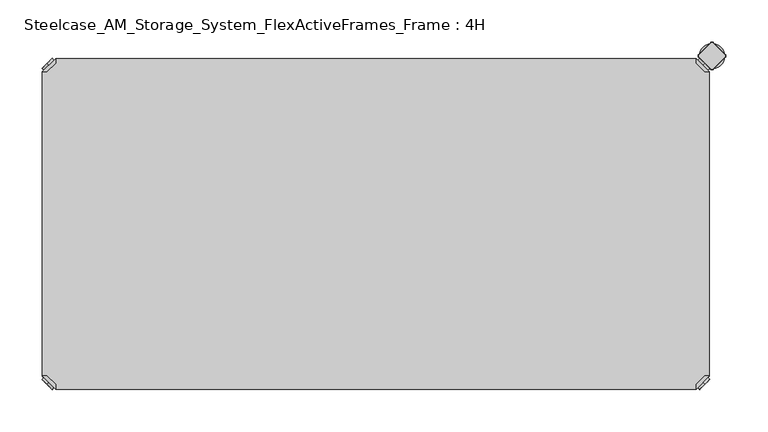
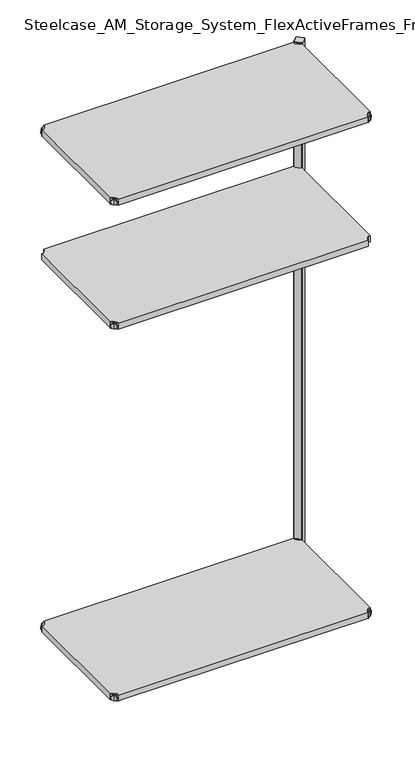
"""IFC4 building model written with IfcOpenShell, lengths in millimetres: furniture geometry, Steelcase_AM_Storage_System_FlexActiveFrames_Frame : 4H."""

from ifc_helpers import new_model, si_unit, point, frame, frame_2d, origin, place, context, project, spatial, polyline, circle_curve, trimmed, segment, composite_curve, outline, extrude, source, transform, mapped, element, save
from ifc_brep_helpers import plane_surface, cylinder_surface, revolved_surface, advanced_brep


def steelcase_am_storage_system_flexactiveframes_frame_4h_03b7ca62(model_context):
    return source(origin(), model_context, "Body", "SolidModel", [
        advanced_brep(
        [(10.9601551, 10.9601551, 1298.5), (10.9601551, 10.9601551, 1307.0), (10.9601551, 10.9601551, 1315.5), (8.8388348, 8.8388348, 1298.5), (8.8388348, 8.8388348, 1315.5), (8.8388348, 8.8388348, 1307.0)],
        [
            (0, 1),
            (1, 2),
            (2, 0, circle_curve(frame((10.9601551, 10.9601551, 1307.0), z_axis=(0.7071067811865464, 0.7071067811865487, 0.0), x_axis=(0.0, 0.0, 1.0)), 8.5)),
            (0, 2, circle_curve(frame((10.9601551, 10.9601551, 1307.0), z_axis=(0.7071067811865464, 0.7071067811865487, 0.0), x_axis=(0.0, 0.0, 1.0)), 8.5)),
            (3, 0),
            (2, 4),
            (4, 3, circle_curve(frame((8.8388348, 8.8388348, 1307.0), z_axis=(0.7071067811865464, 0.7071067811865487, 0.0), x_axis=(0.0, 0.0, 1.0)), 8.5)),
            (3, 4, circle_curve(frame((8.8388348, 8.8388348, 1307.0), z_axis=(0.7071067811865464, 0.7071067811865487, 0.0), x_axis=(0.0, 0.0, 1.0)), 8.5)),
            (5, 3),
            (4, 5),
        ],
        [
            plane_surface(frame((10.9601551, 10.9601551, 1307.0), z_axis=(0.707106781186546, 0.7071067811865491, 0.0), x_axis=(0.0, 0.0, 1.0))),
            cylinder_surface(frame((8.8388348, 8.8388348, 1307.0), z_axis=(-0.7071067811865464, -0.7071067811865487, 0.0), x_axis=(0.0, 0.0, 1.0)), 8.5),
            plane_surface(frame((8.8388348, 8.8388348, 1307.0), z_axis=(-0.707106781186546, -0.7071067811865491, 0.0), x_axis=(0.0, 0.0, 1.0))),
        ],
        [
            (0, [[1, 2, 3]]),
            (0, [[-2, -1, 4]]),
            (1, [[5, -3, 6, 7]]),
            (1, [[-6, -4, -5, 8]]),
            (2, [[9, -7, 10]]),
            (2, [[-10, -8, -9]]),
        ],
    ),
        advanced_brep(
        [(18.9203102, 3.0, 1317.0), (18.9203102, 8.6568542, 1317.0), (8.6568542, 18.9203102, 1317.0), (3.0, 18.9203102, 1317.0), (3.0, 18.9203102, 1298.0), (3.0, 18.9203102, 1297.0), (18.9203102, 3.0, 1297.0), (18.9203102, 3.0, 1298.0), (18.9203102, 8.6568542, 1298.0), (8.6568542, 18.9203102, 1298.0), (47.7297077, 31.8093975, 1298.0), (31.8093975, 47.7297077, 1298.0), (31.8093975, 47.7297077, 1297.0), (47.7297077, 31.8093975, 1297.0)],
        [
            (0, 1),
            (1, 2),
            (2, 3),
            (3, 0),
            (3, 4),
            (4, 5),
            (5, 6),
            (6, 7),
            (7, 0),
            (1, 8),
            (8, 9),
            (9, 2),
            (7, 8),
            (9, 4),
            (7, 10),
            (10, 11, circle_curve(frame((39.7695526, 39.7695526, 1298.0), z_axis=(0.0, 0.0, 1.0), x_axis=(1.0, 0.0, 0.0)), 11.2573593)),
            (11, 4),
            (5, 12),
            (12, 13, circle_curve(frame((39.7695526, 39.7695526, 1297.0), z_axis=(0.0, 0.0, -1.0), x_axis=(1.0, 0.0, 0.0)), 11.2573593)),
            (13, 6),
            (11, 12),
            (10, 13),
        ],
        [
            plane_surface(frame((-38.8756299, 60.7959401, 1317.0), z_axis=(0.0, 0.0, 1.0000000000000002), x_axis=(-0.7071067811865557, 0.7071067811865395, 0.0))),
            plane_surface(frame((18.9203102, 3.0, 1317.0), z_axis=(-0.7071067811865395, -0.7071067811865557, 0.0), x_axis=(0.0, 0.0, -1.0))),
            plane_surface(frame((8.6568542, 18.9203102, 1317.0), z_axis=(0.7071067811865481, 0.7071067811865469, 0.0), x_axis=(0.0, 0.0, -1.0))),
            plane_surface(frame((18.9203102, 8.6568542, 1317.0), z_axis=(1.0, 0.0, 0.0), x_axis=(0.0, 0.0, -1.0))),
            plane_surface(frame((3.0, 18.9203102, 1317.0), z_axis=(0.0, 1.0, 0.0), x_axis=(0.0, 0.0, -1.0))),
            plane_surface(frame((3.0, 18.9203102, 1298.0), z_axis=(0.0, 0.0, 1.0), x_axis=(-0.7071067811865485, 0.7071067811865466, 0.0))),
            plane_surface(frame((3.0, 18.9203102, 1297.0), z_axis=(0.0, 0.0, -1.0), x_axis=(0.7071067811865485, -0.7071067811865466, 0.0))),
            plane_surface(frame((3.0, 18.9203102, 1298.0), z_axis=(-0.7071067811865491, 0.707106781186546, 0.0), x_axis=(0.0, 0.0, -1.0))),
            cylinder_surface(frame((39.7695526, 39.7695526, 1297.0), z_axis=(0.0, 0.0, 1.0), x_axis=(1.0, 0.0, 0.0)), 11.2573593),
            plane_surface(frame((47.7297077, 31.8093975, 1298.0), z_axis=(0.707106781186548, -0.7071067811865471, 0.0), x_axis=(0.0, 0.0, -1.0))),
        ],
        [
            (0, [[1, 2, 3, 4]]),
            (1, [[5, 6, 7, 8, 9, -4]]),
            (2, [[10, 11, 12, -2]]),
            (3, [[-9, 13, -10, -1]]),
            (4, [[-12, 14, -5, -3]]),
            (5, [[-14, -11, -13, 15, 16, 17]]),
            (6, [[-7, 18, 19, 20]]),
            (7, [[21, -18, -6, -17]]),
            (8, [[22, -19, -21, -16]]),
            (9, [[-8, -20, -22, -15]]),
        ],
    ),
        extrude(outline(polyline([(781.0796898, 3.0), (18.9203102, 3.0), (18.9203102, 8.6568542), (8.6568542, 18.9203102), (3.0, 18.9203102), (3.0, 381.0796898), (8.6568542, 381.0796898), (18.9203102, 391.3431458), (18.9203102, 397.0), (781.0796898, 397.0), (781.0796898, 391.3431458), (791.3431458, 381.0796898), (797.0, 381.0796898), (797.0, 18.9203102), (791.3431458, 18.9203102), (781.0796898, 8.6568542), (781.0796898, 3.0)])), frame((0.0, 0.0, 1298.0), z_axis=(0.0, 0.0, 1.0), x_axis=(1.0, 0.0, 0.0)), (0.0, 0.0, 1.0), 19.0),
        advanced_brep(
        [(789.0398449, 10.9601551, 1698.5), (789.0398449, 10.9601551, 1715.5), (789.0398449, 10.9601551, 1707.0), (791.1611652, 8.8388348, 1698.5), (791.1611652, 8.8388348, 1715.5), (791.1611652, 8.8388348, 1707.0)],
        [
            (0, 1, circle_curve(frame((789.0398449, 10.9601551, 1707.0), z_axis=(-0.7071067811865556, 0.7071067811865395, 0.0), x_axis=(0.0, 0.0, 1.0)), 8.5)),
            (1, 2),
            (2, 0),
            (1, 0, circle_curve(frame((789.0398449, 10.9601551, 1707.0), z_axis=(-0.7071067811865556, 0.7071067811865395, 0.0), x_axis=(0.0, 0.0, 1.0)), 8.5)),
            (3, 4, circle_curve(frame((791.1611652, 8.8388348, 1707.0), z_axis=(-0.7071067811865556, 0.7071067811865395, 0.0), x_axis=(0.0, 0.0, 1.0)), 8.5)),
            (4, 1),
            (0, 3),
            (4, 3, circle_curve(frame((791.1611652, 8.8388348, 1707.0), z_axis=(-0.7071067811865556, 0.7071067811865395, 0.0), x_axis=(0.0, 0.0, 1.0)), 8.5)),
            (5, 4),
            (3, 5),
        ],
        [
            plane_surface(frame((789.0398449, 10.9601551, 1707.0), z_axis=(-0.7071067811865552, 0.7071067811865399, 0.0), x_axis=(0.0, 0.0, 1.0))),
            cylinder_surface(frame((791.1611652, 8.8388348, 1707.0), z_axis=(0.7071067811865556, -0.7071067811865395, 0.0), x_axis=(0.0, 0.0, 1.0)), 8.5),
            plane_surface(frame((791.1611652, 8.8388348, 1707.0), z_axis=(0.7071067811865552, -0.7071067811865399, 0.0), x_axis=(0.0, 0.0, 1.0))),
        ],
        [
            (0, [[1, 2, 3]]),
            (0, [[4, -3, -2]]),
            (1, [[5, 6, -1, 7]]),
            (1, [[8, -7, -4, -6]]),
            (2, [[9, -5, 10]]),
            (2, [[-10, -8, -9]]),
        ],
    ),
        advanced_brep(
        [(781.0796898, 3.0, 1717.0), (797.0, 18.9203102, 1717.0), (791.3431458, 18.9203102, 1717.0), (781.0796898, 8.6568542, 1717.0), (781.0796898, 3.0, 1698.0), (781.0796898, 3.0, 1697.0), (797.0, 18.9203102, 1697.0), (797.0, 18.9203102, 1698.0), (791.3431458, 18.9203102, 1698.0), (781.0796898, 8.6568542, 1698.0), (768.1906025, 47.7297077, 1698.0), (752.2702923, 31.8093975, 1698.0), (752.2702923, 31.8093975, 1697.0), (768.1906025, 47.7297077, 1697.0)],
        [
            (0, 1),
            (1, 2),
            (2, 3),
            (3, 0),
            (0, 4),
            (4, 5),
            (5, 6),
            (6, 7),
            (7, 1),
            (2, 8),
            (8, 9),
            (9, 3),
            (9, 4),
            (7, 8),
            (7, 10),
            (10, 11, circle_curve(frame((760.2304474, 39.7695526, 1698.0), z_axis=(0.0, 0.0, 1.0), x_axis=(-1.0, 0.0, 0.0)), 11.2573593)),
            (11, 4),
            (5, 12),
            (12, 13, circle_curve(frame((760.2304474, 39.7695526, 1697.0), z_axis=(0.0, 0.0, -1.0), x_axis=(-1.0, 0.0, 0.0)), 11.2573593)),
            (13, 6),
            (13, 10),
            (12, 11),
        ],
        [
            plane_surface(frame((838.8756299, 60.7959401, 1717.0), z_axis=(0.0, 0.0, 1.0000000000000002), x_axis=(0.7071067811865465, 0.7071067811865487, 0.0))),
            plane_surface(frame((781.0796898, 3.0, 1717.0), z_axis=(0.7071067811865487, -0.7071067811865465, 0.0), x_axis=(0.0, 0.0, -1.0))),
            plane_surface(frame((791.3431458, 18.9203102, 1717.0), z_axis=(-0.7071067811865573, 0.7071067811865377, 0.0), x_axis=(0.0, 0.0, -1.0))),
            plane_surface(frame((781.0796898, 8.6568542, 1717.0), z_axis=(-1.0, 0.0, 0.0), x_axis=(0.0, 0.0, -1.0))),
            plane_surface(frame((797.0, 18.9203102, 1717.0), z_axis=(0.0, 1.0, 0.0), x_axis=(0.0, 0.0, -1.0))),
            plane_surface(frame((797.0, 18.9203102, 1698.0), z_axis=(0.0, 0.0, 1.0), x_axis=(0.7071067811865392, 0.7071067811865558, 0.0))),
            plane_surface(frame((797.0, 18.9203102, 1697.0), z_axis=(0.0, 0.0, -1.0), x_axis=(-0.7071067811865392, -0.7071067811865558, 0.0))),
            plane_surface(frame((797.0, 18.9203102, 1698.0), z_axis=(0.7071067811865399, 0.7071067811865552, 0.0), x_axis=(0.0, 0.0, -1.0))),
            cylinder_surface(frame((760.2304474, 39.7695526, 1697.0), z_axis=(0.0, 0.0, 1.0), x_axis=(-1.0, 0.0, 0.0)), 11.2573593),
            plane_surface(frame((752.2702923, 31.8093975, 1698.0), z_axis=(-0.7071067811865388, -0.7071067811865563, 0.0), x_axis=(0.0, 0.0, -1.0))),
        ],
        [
            (0, [[1, 2, 3, 4]]),
            (1, [[-1, 5, 6, 7, 8, 9]]),
            (2, [[-3, 10, 11, 12]]),
            (3, [[-4, -12, 13, -5]]),
            (4, [[-2, -9, 14, -10]]),
            (5, [[15, 16, 17, -13, -11, -14]]),
            (6, [[18, 19, 20, -7]]),
            (7, [[-15, -8, -20, 21]]),
            (8, [[-16, -21, -19, 22]]),
            (9, [[-17, -22, -18, -6]]),
        ],
    ),
        advanced_brep(
        [(789.0398449, 389.0398449, 1698.5), (789.0398449, 389.0398449, 1707.0), (789.0398449, 389.0398449, 1715.5), (791.1611652, 391.1611652, 1698.5), (791.1611652, 391.1611652, 1715.5), (791.1611652, 391.1611652, 1707.0)],
        [
            (0, 1),
            (1, 2),
            (2, 0, circle_curve(frame((789.0398449, 389.0398449, 1707.0), z_axis=(-0.7071067811865509, -0.7071067811865441, 0.0), x_axis=(0.0, 0.0, 1.0)), 8.5)),
            (0, 2, circle_curve(frame((789.0398449, 389.0398449, 1707.0), z_axis=(-0.7071067811865509, -0.7071067811865441, 0.0), x_axis=(0.0, 0.0, 1.0)), 8.5)),
            (3, 0),
            (2, 4),
            (4, 3, circle_curve(frame((791.1611652, 391.1611652, 1707.0), z_axis=(-0.7071067811865509, -0.7071067811865441, 0.0), x_axis=(0.0, 0.0, 1.0)), 8.5)),
            (3, 4, circle_curve(frame((791.1611652, 391.1611652, 1707.0), z_axis=(-0.7071067811865509, -0.7071067811865441, 0.0), x_axis=(0.0, 0.0, 1.0)), 8.5)),
            (5, 3),
            (4, 5),
        ],
        [
            plane_surface(frame((789.0398449, 389.0398449, 1707.0), z_axis=(-0.7071067811865506, -0.7071067811865446, 0.0), x_axis=(0.0, 0.0, 1.0))),
            cylinder_surface(frame((791.1611652, 391.1611652, 1707.0), z_axis=(0.7071067811865509, 0.7071067811865441, 0.0), x_axis=(0.0, 0.0, 1.0)), 8.5),
            plane_surface(frame((791.1611652, 391.1611652, 1707.0), z_axis=(0.7071067811865506, 0.7071067811865446, 0.0), x_axis=(0.0, 0.0, 1.0))),
        ],
        [
            (0, [[1, 2, 3]]),
            (0, [[-2, -1, 4]]),
            (1, [[5, -3, 6, 7]]),
            (1, [[-6, -4, -5, 8]]),
            (2, [[9, -7, 10]]),
            (2, [[-10, -8, -9]]),
        ],
    ),
        advanced_brep(
        [(781.0796898, 397.0, 1717.0), (781.0796898, 391.3431458, 1717.0), (791.3431458, 381.0796898, 1717.0), (797.0, 381.0796898, 1717.0), (797.0, 381.0796898, 1698.0), (797.0, 381.0796898, 1697.0), (781.0796898, 397.0, 1697.0), (781.0796898, 397.0, 1698.0), (781.0796898, 391.3431458, 1698.0), (791.3431458, 381.0796898, 1698.0), (752.2702923, 368.1906025, 1698.0), (768.1906025, 352.2702923, 1698.0), (768.1906025, 352.2702923, 1697.0), (752.2702923, 368.1906025, 1697.0)],
        [
            (0, 1),
            (1, 2),
            (2, 3),
            (3, 0),
            (3, 4),
            (4, 5),
            (5, 6),
            (6, 7),
            (7, 0),
            (1, 8),
            (8, 9),
            (9, 2),
            (7, 8),
            (9, 4),
            (7, 10),
            (10, 11, circle_curve(frame((760.2304474, 360.2304474, 1698.0), z_axis=(0.0, 0.0, 1.0), x_axis=(-1.0, 0.0, 0.0)), 11.2573593)),
            (11, 4),
            (5, 12),
            (12, 13, circle_curve(frame((760.2304474, 360.2304474, 1697.0), z_axis=(0.0, 0.0, -1.0), x_axis=(-1.0, 0.0, 0.0)), 11.2573593)),
            (13, 6),
            (11, 12),
            (10, 13),
        ],
        [
            plane_surface(frame((838.8756299, 339.2040599, 1717.0), z_axis=(0.0, 0.0, 1.0000000000000002), x_axis=(0.7071067811865511, -0.707106781186544, 0.0))),
            plane_surface(frame((781.0796898, 397.0, 1717.0), z_axis=(0.707106781186544, 0.7071067811865511, 0.0), x_axis=(0.0, 0.0, -1.0))),
            plane_surface(frame((791.3431458, 381.0796898, 1717.0), z_axis=(-0.7071067811865527, -0.7071067811865424, 0.0), x_axis=(0.0, 0.0, -1.0))),
            plane_surface(frame((781.0796898, 391.3431458, 1717.0), z_axis=(-1.0, 0.0, 0.0), x_axis=(0.0, 0.0, -1.0))),
            plane_surface(frame((797.0, 381.0796898, 1717.0), z_axis=(0.0, -1.0, 0.0), x_axis=(0.0, 0.0, -1.0))),
            plane_surface(frame((797.0, 381.0796898, 1698.0), z_axis=(0.0, 0.0, 1.0), x_axis=(0.7071067811865439, -0.7071067811865511, 0.0))),
            plane_surface(frame((797.0, 381.0796898, 1697.0), z_axis=(0.0, 0.0, -1.0), x_axis=(-0.7071067811865439, 0.7071067811865511, 0.0))),
            plane_surface(frame((797.0, 381.0796898, 1698.0), z_axis=(0.7071067811865446, -0.7071067811865506, 0.0), x_axis=(0.0, 0.0, -1.0))),
            cylinder_surface(frame((760.2304474, 360.2304474, 1697.0), z_axis=(0.0, 0.0, 1.0), x_axis=(-1.0, 0.0, 0.0)), 11.2573593),
            plane_surface(frame((752.2702923, 368.1906025, 1698.0), z_axis=(-0.7071067811865435, 0.7071067811865517, 0.0), x_axis=(0.0, 0.0, -1.0))),
        ],
        [
            (0, [[1, 2, 3, 4]]),
            (1, [[5, 6, 7, 8, 9, -4]]),
            (2, [[10, 11, 12, -2]]),
            (3, [[-9, 13, -10, -1]]),
            (4, [[-12, 14, -5, -3]]),
            (5, [[-14, -11, -13, 15, 16, 17]]),
            (6, [[-7, 18, 19, 20]]),
            (7, [[21, -18, -6, -17]]),
            (8, [[22, -19, -21, -16]]),
            (9, [[-8, -20, -22, -15]]),
        ],
    ),
        advanced_brep(
        [(10.9601551, 389.0398449, 1698.5), (10.9601551, 389.0398449, 1715.5), (10.9601551, 389.0398449, 1707.0), (8.8388348, 391.1611652, 1698.5), (8.8388348, 391.1611652, 1715.5), (8.8388348, 391.1611652, 1707.0)],
        [
            (0, 1, circle_curve(frame((10.9601551, 389.0398449, 1707.0), z_axis=(0.7071067811865509, -0.7071067811865441, 0.0), x_axis=(0.0, 0.0, 1.0)), 8.5)),
            (1, 2),
            (2, 0),
            (1, 0, circle_curve(frame((10.9601551, 389.0398449, 1707.0), z_axis=(0.7071067811865509, -0.7071067811865441, 0.0), x_axis=(0.0, 0.0, 1.0)), 8.5)),
            (3, 4, circle_curve(frame((8.8388348, 391.1611652, 1707.0), z_axis=(0.7071067811865509, -0.7071067811865441, 0.0), x_axis=(0.0, 0.0, 1.0)), 8.5)),
            (4, 1),
            (0, 3),
            (4, 3, circle_curve(frame((8.8388348, 391.1611652, 1707.0), z_axis=(0.7071067811865509, -0.7071067811865441, 0.0), x_axis=(0.0, 0.0, 1.0)), 8.5)),
            (5, 4),
            (3, 5),
        ],
        [
            plane_surface(frame((10.9601551, 389.0398449, 1707.0), z_axis=(0.7071067811865506, -0.7071067811865446, 0.0), x_axis=(0.0, 0.0, 1.0))),
            cylinder_surface(frame((8.8388348, 391.1611652, 1707.0), z_axis=(-0.7071067811865509, 0.7071067811865441, 0.0), x_axis=(0.0, 0.0, 1.0)), 8.5),
            plane_surface(frame((8.8388348, 391.1611652, 1707.0), z_axis=(-0.7071067811865506, 0.7071067811865446, 0.0), x_axis=(0.0, 0.0, 1.0))),
        ],
        [
            (0, [[1, 2, 3]]),
            (0, [[4, -3, -2]]),
            (1, [[5, 6, -1, 7]]),
            (1, [[8, -7, -4, -6]]),
            (2, [[9, -5, 10]]),
            (2, [[-10, -8, -9]]),
        ],
    ),
        advanced_brep(
        [(18.9203102, 397.0, 1717.0), (3.0, 381.0796898, 1717.0), (8.6568542, 381.0796898, 1717.0), (18.9203102, 391.3431458, 1717.0), (18.9203102, 397.0, 1698.0), (18.9203102, 397.0, 1697.0), (3.0, 381.0796898, 1697.0), (3.0, 381.0796898, 1698.0), (8.6568542, 381.0796898, 1698.0), (18.9203102, 391.3431458, 1698.0), (31.8093975, 352.2702923, 1698.0), (47.7297077, 368.1906025, 1698.0), (47.7297077, 368.1906025, 1697.0), (31.8093975, 352.2702923, 1697.0)],
        [
            (0, 1),
            (1, 2),
            (2, 3),
            (3, 0),
            (0, 4),
            (4, 5),
            (5, 6),
            (6, 7),
            (7, 1),
            (2, 8),
            (8, 9),
            (9, 3),
            (9, 4),
            (7, 8),
            (7, 10),
            (10, 11, circle_curve(frame((39.7695526, 360.2304474, 1698.0), z_axis=(0.0, 0.0, 1.0), x_axis=(1.0, 0.0, 0.0)), 11.2573593)),
            (11, 4),
            (5, 12),
            (12, 13, circle_curve(frame((39.7695526, 360.2304474, 1697.0), z_axis=(0.0, 0.0, -1.0), x_axis=(1.0, 0.0, 0.0)), 11.2573593)),
            (13, 6),
            (13, 10),
            (12, 11),
        ],
        [
            plane_surface(frame((-38.8756299, 339.2040599, 1717.0), z_axis=(0.0, 0.0, 1.0000000000000002), x_axis=(-0.7071067811865511, -0.707106781186544, 0.0))),
            plane_surface(frame((18.9203102, 397.0, 1717.0), z_axis=(-0.707106781186544, 0.7071067811865511, 0.0), x_axis=(0.0, 0.0, -1.0))),
            plane_surface(frame((8.6568542, 381.0796898, 1717.0), z_axis=(0.7071067811865527, -0.7071067811865424, 0.0), x_axis=(0.0, 0.0, -1.0))),
            plane_surface(frame((18.9203102, 391.3431458, 1717.0), z_axis=(1.0, 0.0, 0.0), x_axis=(0.0, 0.0, -1.0))),
            plane_surface(frame((3.0, 381.0796898, 1717.0), z_axis=(0.0, -1.0, 0.0), x_axis=(0.0, 0.0, -1.0))),
            plane_surface(frame((3.0, 381.0796898, 1698.0), z_axis=(0.0, 0.0, 1.0), x_axis=(-0.7071067811865439, -0.7071067811865511, 0.0))),
            plane_surface(frame((3.0, 381.0796898, 1697.0), z_axis=(0.0, 0.0, -1.0), x_axis=(0.7071067811865439, 0.7071067811865511, 0.0))),
            plane_surface(frame((3.0, 381.0796898, 1698.0), z_axis=(-0.7071067811865446, -0.7071067811865506, 0.0), x_axis=(0.0, 0.0, -1.0))),
            cylinder_surface(frame((39.7695526, 360.2304474, 1697.0), z_axis=(0.0, 0.0, 1.0), x_axis=(1.0, 0.0, 0.0)), 11.2573593),
            plane_surface(frame((47.7297077, 368.1906025, 1698.0), z_axis=(0.7071067811865435, 0.7071067811865517, 0.0), x_axis=(0.0, 0.0, -1.0))),
        ],
        [
            (0, [[1, 2, 3, 4]]),
            (1, [[-1, 5, 6, 7, 8, 9]]),
            (2, [[-3, 10, 11, 12]]),
            (3, [[-4, -12, 13, -5]]),
            (4, [[-2, -9, 14, -10]]),
            (5, [[15, 16, 17, -13, -11, -14]]),
            (6, [[18, 19, 20, -7]]),
            (7, [[-15, -8, -20, 21]]),
            (8, [[-16, -21, -19, 22]]),
            (9, [[-17, -22, -18, -6]]),
        ],
    ),
        advanced_brep(
        [(10.9601551, 10.9601551, 1698.5), (10.9601551, 10.9601551, 1707.0), (10.9601551, 10.9601551, 1715.5), (8.8388348, 8.8388348, 1698.5), (8.8388348, 8.8388348, 1715.5), (8.8388348, 8.8388348, 1707.0)],
        [
            (0, 1),
            (1, 2),
            (2, 0, circle_curve(frame((10.9601551, 10.9601551, 1707.0), z_axis=(0.7071067811865464, 0.7071067811865487, 0.0), x_axis=(0.0, 0.0, 1.0)), 8.5)),
            (0, 2, circle_curve(frame((10.9601551, 10.9601551, 1707.0), z_axis=(0.7071067811865464, 0.7071067811865487, 0.0), x_axis=(0.0, 0.0, 1.0)), 8.5)),
            (3, 0),
            (2, 4),
            (4, 3, circle_curve(frame((8.8388348, 8.8388348, 1707.0), z_axis=(0.7071067811865464, 0.7071067811865487, 0.0), x_axis=(0.0, 0.0, 1.0)), 8.5)),
            (3, 4, circle_curve(frame((8.8388348, 8.8388348, 1707.0), z_axis=(0.7071067811865464, 0.7071067811865487, 0.0), x_axis=(0.0, 0.0, 1.0)), 8.5)),
            (5, 3),
            (4, 5),
        ],
        [
            plane_surface(frame((10.9601551, 10.9601551, 1707.0), z_axis=(0.707106781186546, 0.7071067811865491, 0.0), x_axis=(0.0, 0.0, 1.0))),
            cylinder_surface(frame((8.8388348, 8.8388348, 1707.0), z_axis=(-0.7071067811865464, -0.7071067811865487, 0.0), x_axis=(0.0, 0.0, 1.0)), 8.5),
            plane_surface(frame((8.8388348, 8.8388348, 1707.0), z_axis=(-0.707106781186546, -0.7071067811865491, 0.0), x_axis=(0.0, 0.0, 1.0))),
        ],
        [
            (0, [[1, 2, 3]]),
            (0, [[-2, -1, 4]]),
            (1, [[5, -3, 6, 7]]),
            (1, [[-6, -4, -5, 8]]),
            (2, [[9, -7, 10]]),
            (2, [[-10, -8, -9]]),
        ],
    ),
        advanced_brep(
        [(18.9203102, 3.0, 1717.0), (18.9203102, 8.6568542, 1717.0), (8.6568542, 18.9203102, 1717.0), (3.0, 18.9203102, 1717.0), (3.0, 18.9203102, 1698.0), (3.0, 18.9203102, 1697.0), (18.9203102, 3.0, 1697.0), (18.9203102, 3.0, 1698.0), (18.9203102, 8.6568542, 1698.0), (8.6568542, 18.9203102, 1698.0), (47.7297077, 31.8093975, 1698.0), (31.8093975, 47.7297077, 1698.0), (31.8093975, 47.7297077, 1697.0), (47.7297077, 31.8093975, 1697.0)],
        [
            (0, 1),
            (1, 2),
            (2, 3),
            (3, 0),
            (3, 4),
            (4, 5),
            (5, 6),
            (6, 7),
            (7, 0),
            (1, 8),
            (8, 9),
            (9, 2),
            (7, 8),
            (9, 4),
            (7, 10),
            (10, 11, circle_curve(frame((39.7695526, 39.7695526, 1698.0), z_axis=(0.0, 0.0, 1.0), x_axis=(1.0, 0.0, 0.0)), 11.2573593)),
            (11, 4),
            (5, 12),
            (12, 13, circle_curve(frame((39.7695526, 39.7695526, 1697.0), z_axis=(0.0, 0.0, -1.0), x_axis=(1.0, 0.0, 0.0)), 11.2573593)),
            (13, 6),
            (11, 12),
            (10, 13),
        ],
        [
            plane_surface(frame((-38.8756299, 60.7959401, 1717.0), z_axis=(0.0, 0.0, 1.0000000000000002), x_axis=(-0.7071067811865557, 0.7071067811865395, 0.0))),
            plane_surface(frame((18.9203102, 3.0, 1717.0), z_axis=(-0.7071067811865395, -0.7071067811865557, 0.0), x_axis=(0.0, 0.0, -1.0))),
            plane_surface(frame((8.6568542, 18.9203102, 1717.0), z_axis=(0.7071067811865481, 0.7071067811865469, 0.0), x_axis=(0.0, 0.0, -1.0))),
            plane_surface(frame((18.9203102, 8.6568542, 1717.0), z_axis=(1.0, 0.0, 0.0), x_axis=(0.0, 0.0, -1.0))),
            plane_surface(frame((3.0, 18.9203102, 1717.0), z_axis=(0.0, 1.0, 0.0), x_axis=(0.0, 0.0, -1.0))),
            plane_surface(frame((3.0, 18.9203102, 1698.0), z_axis=(0.0, 0.0, 1.0), x_axis=(-0.7071067811865485, 0.7071067811865466, 0.0))),
            plane_surface(frame((3.0, 18.9203102, 1697.0), z_axis=(0.0, 0.0, -1.0), x_axis=(0.7071067811865485, -0.7071067811865466, 0.0))),
            plane_surface(frame((3.0, 18.9203102, 1698.0), z_axis=(-0.7071067811865491, 0.707106781186546, 0.0), x_axis=(0.0, 0.0, -1.0))),
            cylinder_surface(frame((39.7695526, 39.7695526, 1697.0), z_axis=(0.0, 0.0, 1.0), x_axis=(1.0, 0.0, 0.0)), 11.2573593),
            plane_surface(frame((47.7297077, 31.8093975, 1698.0), z_axis=(0.707106781186548, -0.7071067811865471, 0.0), x_axis=(0.0, 0.0, -1.0))),
        ],
        [
            (0, [[1, 2, 3, 4]]),
            (1, [[5, 6, 7, 8, 9, -4]]),
            (2, [[10, 11, 12, -2]]),
            (3, [[-9, 13, -10, -1]]),
            (4, [[-12, 14, -5, -3]]),
            (5, [[-14, -11, -13, 15, 16, 17]]),
            (6, [[-7, 18, 19, 20]]),
            (7, [[21, -18, -6, -17]]),
            (8, [[22, -19, -21, -16]]),
            (9, [[-8, -20, -22, -15]]),
        ],
    ),
        extrude(outline(polyline([(781.0796898, 3.0), (18.9203102, 3.0), (18.9203102, 8.6568542), (8.6568542, 18.9203102), (3.0, 18.9203102), (3.0, 381.0796898), (8.6568542, 381.0796898), (18.9203102, 391.3431458), (18.9203102, 397.0), (781.0796898, 397.0), (781.0796898, 391.3431458), (791.3431458, 381.0796898), (797.0, 381.0796898), (797.0, 18.9203102), (791.3431458, 18.9203102), (781.0796898, 8.6568542), (781.0796898, 3.0)])), frame((0.0, 0.0, 1698.0), z_axis=(0.0, 0.0, 1.0), x_axis=(1.0, 0.0, 0.0)), (0.0, 0.0, 1.0), 19.0),
        advanced_brep(
        [(789.0398449, 10.9601551, 98.5), (789.0398449, 10.9601551, 115.5), (789.0398449, 10.9601551, 107.0), (791.1611652, 8.8388348, 98.5), (791.1611652, 8.8388348, 115.5), (791.1611652, 8.8388348, 107.0)],
        [
            (0, 1, circle_curve(frame((789.0398449, 10.9601551, 107.0), z_axis=(-0.7071067811865556, 0.7071067811865395, 0.0), x_axis=(0.0, 0.0, 1.0)), 8.5)),
            (1, 2),
            (2, 0),
            (1, 0, circle_curve(frame((789.0398449, 10.9601551, 107.0), z_axis=(-0.7071067811865556, 0.7071067811865395, 0.0), x_axis=(0.0, 0.0, 1.0)), 8.5)),
            (3, 4, circle_curve(frame((791.1611652, 8.8388348, 107.0), z_axis=(-0.7071067811865556, 0.7071067811865395, 0.0), x_axis=(0.0, 0.0, 1.0)), 8.5)),
            (4, 1),
            (0, 3),
            (4, 3, circle_curve(frame((791.1611652, 8.8388348, 107.0), z_axis=(-0.7071067811865556, 0.7071067811865395, 0.0), x_axis=(0.0, 0.0, 1.0)), 8.5)),
            (5, 4),
            (3, 5),
        ],
        [
            plane_surface(frame((789.0398449, 10.9601551, 107.0), z_axis=(-0.7071067811865552, 0.7071067811865399, 0.0), x_axis=(0.0, 0.0, 1.0))),
            cylinder_surface(frame((791.1611652, 8.8388348, 107.0), z_axis=(0.7071067811865556, -0.7071067811865395, 0.0), x_axis=(0.0, 0.0, 1.0)), 8.5),
            plane_surface(frame((791.1611652, 8.8388348, 107.0), z_axis=(0.7071067811865552, -0.7071067811865399, 0.0), x_axis=(0.0, 0.0, 1.0))),
        ],
        [
            (0, [[1, 2, 3]]),
            (0, [[4, -3, -2]]),
            (1, [[5, 6, -1, 7]]),
            (1, [[8, -7, -4, -6]]),
            (2, [[9, -5, 10]]),
            (2, [[-10, -8, -9]]),
        ],
    ),
        advanced_brep(
        [(781.0796898, 3.0, 117.0), (797.0, 18.9203102, 117.0), (791.3431458, 18.9203102, 117.0), (781.0796898, 8.6568542, 117.0), (781.0796898, 3.0, 98.0), (781.0796898, 3.0, 97.0), (797.0, 18.9203102, 97.0), (797.0, 18.9203102, 98.0), (791.3431458, 18.9203102, 98.0), (781.0796898, 8.6568542, 98.0), (768.1906025, 47.7297077, 98.0), (752.2702923, 31.8093975, 98.0), (752.2702923, 31.8093975, 97.0), (768.1906025, 47.7297077, 97.0)],
        [
            (0, 1),
            (1, 2),
            (2, 3),
            (3, 0),
            (0, 4),
            (4, 5),
            (5, 6),
            (6, 7),
            (7, 1),
            (2, 8),
            (8, 9),
            (9, 3),
            (9, 4),
            (7, 8),
            (7, 10),
            (10, 11, circle_curve(frame((760.2304474, 39.7695526, 98.0), z_axis=(0.0, 0.0, 1.0), x_axis=(-1.0, 0.0, 0.0)), 11.2573593)),
            (11, 4),
            (5, 12),
            (12, 13, circle_curve(frame((760.2304474, 39.7695526, 97.0), z_axis=(0.0, 0.0, -1.0), x_axis=(-1.0, 0.0, 0.0)), 11.2573593)),
            (13, 6),
            (13, 10),
            (12, 11),
        ],
        [
            plane_surface(frame((838.8756299, 60.7959401, 117.0), z_axis=(0.0, 0.0, 1.0000000000000002), x_axis=(0.7071067811865465, 0.7071067811865487, 0.0))),
            plane_surface(frame((781.0796898, 3.0, 117.0), z_axis=(0.7071067811865487, -0.7071067811865465, 0.0), x_axis=(0.0, 0.0, -1.0))),
            plane_surface(frame((791.3431458, 18.9203102, 117.0), z_axis=(-0.7071067811865573, 0.7071067811865377, 0.0), x_axis=(0.0, 0.0, -1.0))),
            plane_surface(frame((781.0796898, 8.6568542, 117.0), z_axis=(-1.0, 0.0, 0.0), x_axis=(0.0, 0.0, -1.0))),
            plane_surface(frame((797.0, 18.9203102, 117.0), z_axis=(0.0, 1.0, 0.0), x_axis=(0.0, 0.0, -1.0))),
            plane_surface(frame((797.0, 18.9203102, 98.0), z_axis=(0.0, 0.0, 1.0), x_axis=(0.7071067811865392, 0.7071067811865558, 0.0))),
            plane_surface(frame((797.0, 18.9203102, 97.0), z_axis=(0.0, 0.0, -1.0), x_axis=(-0.7071067811865392, -0.7071067811865558, 0.0))),
            plane_surface(frame((797.0, 18.9203102, 98.0), z_axis=(0.7071067811865399, 0.7071067811865552, 0.0), x_axis=(0.0, 0.0, -1.0))),
            cylinder_surface(frame((760.2304474, 39.7695526, 97.0), z_axis=(0.0, 0.0, 1.0), x_axis=(-1.0, 0.0, 0.0)), 11.2573593),
            plane_surface(frame((752.2702923, 31.8093975, 98.0), z_axis=(-0.7071067811865388, -0.7071067811865563, 0.0), x_axis=(0.0, 0.0, -1.0))),
        ],
        [
            (0, [[1, 2, 3, 4]]),
            (1, [[-1, 5, 6, 7, 8, 9]]),
            (2, [[-3, 10, 11, 12]]),
            (3, [[-4, -12, 13, -5]]),
            (4, [[-2, -9, 14, -10]]),
            (5, [[15, 16, 17, -13, -11, -14]]),
            (6, [[18, 19, 20, -7]]),
            (7, [[-15, -8, -20, 21]]),
            (8, [[-16, -21, -19, 22]]),
            (9, [[-17, -22, -18, -6]]),
        ],
    ),
        advanced_brep(
        [(789.0398449, 389.0398449, 98.5), (789.0398449, 389.0398449, 107.0), (789.0398449, 389.0398449, 115.5), (791.1611652, 391.1611652, 98.5), (791.1611652, 391.1611652, 115.5), (791.1611652, 391.1611652, 107.0)],
        [
            (0, 1),
            (1, 2),
            (2, 0, circle_curve(frame((789.0398449, 389.0398449, 107.0), z_axis=(-0.7071067811865509, -0.7071067811865441, 0.0), x_axis=(0.0, 0.0, 1.0)), 8.5)),
            (0, 2, circle_curve(frame((789.0398449, 389.0398449, 107.0), z_axis=(-0.7071067811865509, -0.7071067811865441, 0.0), x_axis=(0.0, 0.0, 1.0)), 8.5)),
            (3, 0),
            (2, 4),
            (4, 3, circle_curve(frame((791.1611652, 391.1611652, 107.0), z_axis=(-0.7071067811865509, -0.7071067811865441, 0.0), x_axis=(0.0, 0.0, 1.0)), 8.5)),
            (3, 4, circle_curve(frame((791.1611652, 391.1611652, 107.0), z_axis=(-0.7071067811865509, -0.7071067811865441, 0.0), x_axis=(0.0, 0.0, 1.0)), 8.5)),
            (5, 3),
            (4, 5),
        ],
        [
            plane_surface(frame((789.0398449, 389.0398449, 107.0), z_axis=(-0.7071067811865506, -0.7071067811865446, 0.0), x_axis=(0.0, 0.0, 1.0))),
            cylinder_surface(frame((791.1611652, 391.1611652, 107.0), z_axis=(0.7071067811865509, 0.7071067811865441, 0.0), x_axis=(0.0, 0.0, 1.0)), 8.5),
            plane_surface(frame((791.1611652, 391.1611652, 107.0), z_axis=(0.7071067811865506, 0.7071067811865446, 0.0), x_axis=(0.0, 0.0, 1.0))),
        ],
        [
            (0, [[1, 2, 3]]),
            (0, [[-2, -1, 4]]),
            (1, [[5, -3, 6, 7]]),
            (1, [[-6, -4, -5, 8]]),
            (2, [[9, -7, 10]]),
            (2, [[-10, -8, -9]]),
        ],
    ),
        advanced_brep(
        [(781.0796898, 397.0, 117.0), (781.0796898, 391.3431458, 117.0), (791.3431458, 381.0796898, 117.0), (797.0, 381.0796898, 117.0), (797.0, 381.0796898, 98.0), (797.0, 381.0796898, 97.0), (781.0796898, 397.0, 97.0), (781.0796898, 397.0, 98.0), (781.0796898, 391.3431458, 98.0), (791.3431458, 381.0796898, 98.0), (752.2702923, 368.1906025, 98.0), (768.1906025, 352.2702923, 98.0), (768.1906025, 352.2702923, 97.0), (752.2702923, 368.1906025, 97.0)],
        [
            (0, 1),
            (1, 2),
            (2, 3),
            (3, 0),
            (3, 4),
            (4, 5),
            (5, 6),
            (6, 7),
            (7, 0),
            (1, 8),
            (8, 9),
            (9, 2),
            (7, 8),
            (9, 4),
            (7, 10),
            (10, 11, circle_curve(frame((760.2304474, 360.2304474, 98.0), z_axis=(0.0, 0.0, 1.0), x_axis=(-1.0, 0.0, 0.0)), 11.2573593)),
            (11, 4),
            (5, 12),
            (12, 13, circle_curve(frame((760.2304474, 360.2304474, 97.0), z_axis=(0.0, 0.0, -1.0), x_axis=(-1.0, 0.0, 0.0)), 11.2573593)),
            (13, 6),
            (11, 12),
            (10, 13),
        ],
        [
            plane_surface(frame((838.8756299, 339.2040599, 117.0), z_axis=(0.0, 0.0, 1.0000000000000002), x_axis=(0.7071067811865511, -0.707106781186544, 0.0))),
            plane_surface(frame((781.0796898, 397.0, 117.0), z_axis=(0.707106781186544, 0.7071067811865511, 0.0), x_axis=(0.0, 0.0, -1.0))),
            plane_surface(frame((791.3431458, 381.0796898, 117.0), z_axis=(-0.7071067811865527, -0.7071067811865424, 0.0), x_axis=(0.0, 0.0, -1.0))),
            plane_surface(frame((781.0796898, 391.3431458, 117.0), z_axis=(-1.0, 0.0, 0.0), x_axis=(0.0, 0.0, -1.0))),
            plane_surface(frame((797.0, 381.0796898, 117.0), z_axis=(0.0, -1.0, 0.0), x_axis=(0.0, 0.0, -1.0))),
            plane_surface(frame((797.0, 381.0796898, 98.0), z_axis=(0.0, 0.0, 1.0), x_axis=(0.7071067811865439, -0.7071067811865511, 0.0))),
            plane_surface(frame((797.0, 381.0796898, 97.0), z_axis=(0.0, 0.0, -1.0), x_axis=(-0.7071067811865439, 0.7071067811865511, 0.0))),
            plane_surface(frame((797.0, 381.0796898, 98.0), z_axis=(0.7071067811865446, -0.7071067811865506, 0.0), x_axis=(0.0, 0.0, -1.0))),
            cylinder_surface(frame((760.2304474, 360.2304474, 97.0), z_axis=(0.0, 0.0, 1.0), x_axis=(-1.0, 0.0, 0.0)), 11.2573593),
            plane_surface(frame((752.2702923, 368.1906025, 98.0), z_axis=(-0.7071067811865435, 0.7071067811865517, 0.0), x_axis=(0.0, 0.0, -1.0))),
        ],
        [
            (0, [[1, 2, 3, 4]]),
            (1, [[5, 6, 7, 8, 9, -4]]),
            (2, [[10, 11, 12, -2]]),
            (3, [[-9, 13, -10, -1]]),
            (4, [[-12, 14, -5, -3]]),
            (5, [[-14, -11, -13, 15, 16, 17]]),
            (6, [[-7, 18, 19, 20]]),
            (7, [[21, -18, -6, -17]]),
            (8, [[22, -19, -21, -16]]),
            (9, [[-8, -20, -22, -15]]),
        ],
    ),
        advanced_brep(
        [(10.9601551, 389.0398449, 98.5), (10.9601551, 389.0398449, 115.5), (10.9601551, 389.0398449, 107.0), (8.8388348, 391.1611652, 98.5), (8.8388348, 391.1611652, 115.5), (8.8388348, 391.1611652, 107.0)],
        [
            (0, 1, circle_curve(frame((10.9601551, 389.0398449, 107.0), z_axis=(0.7071067811865509, -0.7071067811865441, 0.0), x_axis=(0.0, 0.0, 1.0)), 8.5)),
            (1, 2),
            (2, 0),
            (1, 0, circle_curve(frame((10.9601551, 389.0398449, 107.0), z_axis=(0.7071067811865509, -0.7071067811865441, 0.0), x_axis=(0.0, 0.0, 1.0)), 8.5)),
            (3, 4, circle_curve(frame((8.8388348, 391.1611652, 107.0), z_axis=(0.7071067811865509, -0.7071067811865441, 0.0), x_axis=(0.0, 0.0, 1.0)), 8.5)),
            (4, 1),
            (0, 3),
            (4, 3, circle_curve(frame((8.8388348, 391.1611652, 107.0), z_axis=(0.7071067811865509, -0.7071067811865441, 0.0), x_axis=(0.0, 0.0, 1.0)), 8.5)),
            (5, 4),
            (3, 5),
        ],
        [
            plane_surface(frame((10.9601551, 389.0398449, 107.0), z_axis=(0.7071067811865506, -0.7071067811865446, 0.0), x_axis=(0.0, 0.0, 1.0))),
            cylinder_surface(frame((8.8388348, 391.1611652, 107.0), z_axis=(-0.7071067811865509, 0.7071067811865441, 0.0), x_axis=(0.0, 0.0, 1.0)), 8.5),
            plane_surface(frame((8.8388348, 391.1611652, 107.0), z_axis=(-0.7071067811865506, 0.7071067811865446, 0.0), x_axis=(0.0, 0.0, 1.0))),
        ],
        [
            (0, [[1, 2, 3]]),
            (0, [[4, -3, -2]]),
            (1, [[5, 6, -1, 7]]),
            (1, [[8, -7, -4, -6]]),
            (2, [[9, -5, 10]]),
            (2, [[-10, -8, -9]]),
        ],
    ),
        advanced_brep(
        [(18.9203102, 397.0, 117.0), (3.0, 381.0796898, 117.0), (8.6568542, 381.0796898, 117.0), (18.9203102, 391.3431458, 117.0), (18.9203102, 397.0, 98.0), (18.9203102, 397.0, 97.0), (3.0, 381.0796898, 97.0), (3.0, 381.0796898, 98.0), (8.6568542, 381.0796898, 98.0), (18.9203102, 391.3431458, 98.0), (31.8093975, 352.2702923, 98.0), (47.7297077, 368.1906025, 98.0), (47.7297077, 368.1906025, 97.0), (31.8093975, 352.2702923, 97.0)],
        [
            (0, 1),
            (1, 2),
            (2, 3),
            (3, 0),
            (0, 4),
            (4, 5),
            (5, 6),
            (6, 7),
            (7, 1),
            (2, 8),
            (8, 9),
            (9, 3),
            (9, 4),
            (7, 8),
            (7, 10),
            (10, 11, circle_curve(frame((39.7695526, 360.2304474, 98.0), z_axis=(0.0, 0.0, 1.0), x_axis=(1.0, 0.0, 0.0)), 11.2573593)),
            (11, 4),
            (5, 12),
            (12, 13, circle_curve(frame((39.7695526, 360.2304474, 97.0), z_axis=(0.0, 0.0, -1.0), x_axis=(1.0, 0.0, 0.0)), 11.2573593)),
            (13, 6),
            (13, 10),
            (12, 11),
        ],
        [
            plane_surface(frame((-38.8756299, 339.2040599, 117.0), z_axis=(0.0, 0.0, 1.0000000000000002), x_axis=(-0.7071067811865511, -0.707106781186544, 0.0))),
            plane_surface(frame((18.9203102, 397.0, 117.0), z_axis=(-0.707106781186544, 0.7071067811865511, 0.0), x_axis=(0.0, 0.0, -1.0))),
            plane_surface(frame((8.6568542, 381.0796898, 117.0), z_axis=(0.7071067811865527, -0.7071067811865424, 0.0), x_axis=(0.0, 0.0, -1.0))),
            plane_surface(frame((18.9203102, 391.3431458, 117.0), z_axis=(1.0, 0.0, 0.0), x_axis=(0.0, 0.0, -1.0))),
            plane_surface(frame((3.0, 381.0796898, 117.0), z_axis=(0.0, -1.0, 0.0), x_axis=(0.0, 0.0, -1.0))),
            plane_surface(frame((3.0, 381.0796898, 98.0), z_axis=(0.0, 0.0, 1.0), x_axis=(-0.7071067811865439, -0.7071067811865511, 0.0))),
            plane_surface(frame((3.0, 381.0796898, 97.0), z_axis=(0.0, 0.0, -1.0), x_axis=(0.7071067811865439, 0.7071067811865511, 0.0))),
            plane_surface(frame((3.0, 381.0796898, 98.0), z_axis=(-0.7071067811865446, -0.7071067811865506, 0.0), x_axis=(0.0, 0.0, -1.0))),
            cylinder_surface(frame((39.7695526, 360.2304474, 97.0), z_axis=(0.0, 0.0, 1.0), x_axis=(1.0, 0.0, 0.0)), 11.2573593),
            plane_surface(frame((47.7297077, 368.1906025, 98.0), z_axis=(0.7071067811865435, 0.7071067811865517, 0.0), x_axis=(0.0, 0.0, -1.0))),
        ],
        [
            (0, [[1, 2, 3, 4]]),
            (1, [[-1, 5, 6, 7, 8, 9]]),
            (2, [[-3, 10, 11, 12]]),
            (3, [[-4, -12, 13, -5]]),
            (4, [[-2, -9, 14, -10]]),
            (5, [[15, 16, 17, -13, -11, -14]]),
            (6, [[18, 19, 20, -7]]),
            (7, [[-15, -8, -20, 21]]),
            (8, [[-16, -21, -19, 22]]),
            (9, [[-17, -22, -18, -6]]),
        ],
    ),
        advanced_brep(
        [(10.9601551, 10.9601551, 98.5), (10.9601551, 10.9601551, 107.0), (10.9601551, 10.9601551, 115.5), (8.8388348, 8.8388348, 98.5), (8.8388348, 8.8388348, 115.5), (8.8388348, 8.8388348, 107.0)],
        [
            (0, 1),
            (1, 2),
            (2, 0, circle_curve(frame((10.9601551, 10.9601551, 107.0), z_axis=(0.7071067811865464, 0.7071067811865487, 0.0), x_axis=(0.0, 0.0, 1.0)), 8.5)),
            (0, 2, circle_curve(frame((10.9601551, 10.9601551, 107.0), z_axis=(0.7071067811865464, 0.7071067811865487, 0.0), x_axis=(0.0, 0.0, 1.0)), 8.5)),
            (3, 0),
            (2, 4),
            (4, 3, circle_curve(frame((8.8388348, 8.8388348, 107.0), z_axis=(0.7071067811865464, 0.7071067811865487, 0.0), x_axis=(0.0, 0.0, 1.0)), 8.5)),
            (3, 4, circle_curve(frame((8.8388348, 8.8388348, 107.0), z_axis=(0.7071067811865464, 0.7071067811865487, 0.0), x_axis=(0.0, 0.0, 1.0)), 8.5)),
            (5, 3),
            (4, 5),
        ],
        [
            plane_surface(frame((10.9601551, 10.9601551, 107.0), z_axis=(0.707106781186546, 0.7071067811865491, 0.0), x_axis=(0.0, 0.0, 1.0))),
            cylinder_surface(frame((8.8388348, 8.8388348, 107.0), z_axis=(-0.7071067811865464, -0.7071067811865487, 0.0), x_axis=(0.0, 0.0, 1.0)), 8.5),
            plane_surface(frame((8.8388348, 8.8388348, 107.0), z_axis=(-0.707106781186546, -0.7071067811865491, 0.0), x_axis=(0.0, 0.0, 1.0))),
        ],
        [
            (0, [[1, 2, 3]]),
            (0, [[-2, -1, 4]]),
            (1, [[5, -3, 6, 7]]),
            (1, [[-6, -4, -5, 8]]),
            (2, [[9, -7, 10]]),
            (2, [[-10, -8, -9]]),
        ],
    ),
        advanced_brep(
        [(18.9203102, 3.0, 117.0), (18.9203102, 8.6568542, 117.0), (8.6568542, 18.9203102, 117.0), (3.0, 18.9203102, 117.0), (3.0, 18.9203102, 98.0), (3.0, 18.9203102, 97.0), (18.9203102, 3.0, 97.0), (18.9203102, 3.0, 98.0), (18.9203102, 8.6568542, 98.0), (8.6568542, 18.9203102, 98.0), (47.7297077, 31.8093975, 98.0), (31.8093975, 47.7297077, 98.0), (31.8093975, 47.7297077, 97.0), (47.7297077, 31.8093975, 97.0)],
        [
            (0, 1),
            (1, 2),
            (2, 3),
            (3, 0),
            (3, 4),
            (4, 5),
            (5, 6),
            (6, 7),
            (7, 0),
            (1, 8),
            (8, 9),
            (9, 2),
            (7, 8),
            (9, 4),
            (7, 10),
            (10, 11, circle_curve(frame((39.7695526, 39.7695526, 98.0), z_axis=(0.0, 0.0, 1.0), x_axis=(1.0, 0.0, 0.0)), 11.2573593)),
            (11, 4),
            (5, 12),
            (12, 13, circle_curve(frame((39.7695526, 39.7695526, 97.0), z_axis=(0.0, 0.0, -1.0), x_axis=(1.0, 0.0, 0.0)), 11.2573593)),
            (13, 6),
            (11, 12),
            (10, 13),
        ],
        [
            plane_surface(frame((-38.8756299, 60.7959401, 117.0), z_axis=(0.0, 0.0, 1.0000000000000002), x_axis=(-0.7071067811865557, 0.7071067811865395, 0.0))),
            plane_surface(frame((18.9203102, 3.0, 117.0), z_axis=(-0.7071067811865395, -0.7071067811865557, 0.0), x_axis=(0.0, 0.0, -1.0))),
            plane_surface(frame((8.6568542, 18.9203102, 117.0), z_axis=(0.7071067811865481, 0.7071067811865469, 0.0), x_axis=(0.0, 0.0, -1.0))),
            plane_surface(frame((18.9203102, 8.6568542, 117.0), z_axis=(1.0, 0.0, 0.0), x_axis=(0.0, 0.0, -1.0))),
            plane_surface(frame((3.0, 18.9203102, 117.0), z_axis=(0.0, 1.0, 0.0), x_axis=(0.0, 0.0, -1.0))),
            plane_surface(frame((3.0, 18.9203102, 98.0), z_axis=(0.0, 0.0, 1.0), x_axis=(-0.7071067811865485, 0.7071067811865466, 0.0))),
            plane_surface(frame((3.0, 18.9203102, 97.0), z_axis=(0.0, 0.0, -1.0), x_axis=(0.7071067811865485, -0.7071067811865466, 0.0))),
            plane_surface(frame((3.0, 18.9203102, 98.0), z_axis=(-0.7071067811865491, 0.707106781186546, 0.0), x_axis=(0.0, 0.0, -1.0))),
            cylinder_surface(frame((39.7695526, 39.7695526, 97.0), z_axis=(0.0, 0.0, 1.0), x_axis=(1.0, 0.0, 0.0)), 11.2573593),
            plane_surface(frame((47.7297077, 31.8093975, 98.0), z_axis=(0.707106781186548, -0.7071067811865471, 0.0), x_axis=(0.0, 0.0, -1.0))),
        ],
        [
            (0, [[1, 2, 3, 4]]),
            (1, [[5, 6, 7, 8, 9, -4]]),
            (2, [[10, 11, 12, -2]]),
            (3, [[-9, 13, -10, -1]]),
            (4, [[-12, 14, -5, -3]]),
            (5, [[-14, -11, -13, 15, 16, 17]]),
            (6, [[-7, 18, 19, 20]]),
            (7, [[21, -18, -6, -17]]),
            (8, [[22, -19, -21, -16]]),
            (9, [[-8, -20, -22, -15]]),
        ],
    ),
        extrude(outline(polyline([(781.0796898, 3.0), (18.9203102, 3.0), (18.9203102, 8.6568542), (8.6568542, 18.9203102), (3.0, 18.9203102), (3.0, 381.0796898), (8.6568542, 381.0796898), (18.9203102, 391.3431458), (18.9203102, 397.0), (781.0796898, 397.0), (781.0796898, 391.3431458), (791.3431458, 381.0796898), (797.0, 381.0796898), (797.0, 18.9203102), (791.3431458, 18.9203102), (781.0796898, 8.6568542), (781.0796898, 3.0)])), frame((0.0, 0.0, 98.0), z_axis=(0.0, 0.0, 1.0), x_axis=(1.0, 0.0, 0.0)), (0.0, 0.0, 1.0), 19.0),
        advanced_brep(
        [(785.0, 400.0, 0.0), (800.0, 400.0, 0.0), (815.0, 400.0, 0.0), (785.0, 400.0, 2.0), (815.0, 400.0, 2.0), (792.0, 400.0, 9.0), (808.0, 400.0, 9.0), (796.0, 400.0, 9.0), (804.0, 400.0, 9.0), (796.0, 400.0, 15.0), (804.0, 400.0, 15.0), (800.0, 400.0, 15.0)],
        [
            (0, 1),
            (1, 2),
            (2, 0, circle_curve(frame((800.0, 400.0, 0.0), z_axis=(0.0, 0.0, -1.0), x_axis=(1.0, 0.0, 0.0)), 15.0)),
            (0, 2, circle_curve(frame((800.0, 400.0, 0.0), z_axis=(0.0, 0.0, -1.0), x_axis=(1.0, 0.0, 0.0)), 15.0)),
            (3, 0),
            (2, 4),
            (4, 3, circle_curve(frame((800.0, 400.0, 2.0), z_axis=(0.0, 0.0, -1.0), x_axis=(1.0, 0.0, 0.0)), 15.0)),
            (3, 4, circle_curve(frame((800.0, 400.0, 2.0), z_axis=(0.0, 0.0, -1.0), x_axis=(1.0, 0.0, 0.0)), 15.0)),
            (5, 3),
            (4, 6),
            (6, 5, circle_curve(frame((800.0, 400.0, 9.0), z_axis=(0.0, 0.0, -1.0), x_axis=(1.0, 0.0, 0.0)), 8.0)),
            (5, 6, circle_curve(frame((800.0, 400.0, 9.0), z_axis=(0.0, 0.0, -1.0), x_axis=(1.0, 0.0, 0.0)), 8.0)),
            (7, 5),
            (6, 8),
            (8, 7, circle_curve(frame((800.0, 400.0, 9.0), z_axis=(0.0, 0.0, -1.0), x_axis=(1.0, 0.0, 0.0)), 4.0)),
            (7, 8, circle_curve(frame((800.0, 400.0, 9.0), z_axis=(0.0, 0.0, -1.0), x_axis=(1.0, 0.0, 0.0)), 4.0)),
            (9, 7),
            (8, 10),
            (10, 9, circle_curve(frame((800.0, 400.0, 15.0), z_axis=(0.0, 0.0, -1.0), x_axis=(1.0, 0.0, 0.0)), 4.0)),
            (9, 10, circle_curve(frame((800.0, 400.0, 15.0), z_axis=(0.0, 0.0, -1.0), x_axis=(1.0, 0.0, 0.0)), 4.0)),
            (11, 9),
            (10, 11),
        ],
        [
            plane_surface(frame((800.0, 400.0, 0.0), z_axis=(0.0, 0.0, -1.0), x_axis=(1.0, 0.0, 0.0))),
            cylinder_surface(frame((800.0, 400.0, 18.6083303), z_axis=(0.0, 0.0, 1.0), x_axis=(1.0, 0.0, 0.0)), 15.0),
            revolved_surface(polyline([(815.0, 400.0, 2.0), (808.0, 400.0, 9.0)]), (800.0, 400.0, 18.6083303), (0.0, 0.0, 1.0)),
            plane_surface(frame((800.0, 400.0, 9.0), z_axis=(0.0, 0.0, 1.0), x_axis=(1.0, 0.0, 0.0))),
            cylinder_surface(frame((800.0, 400.0, 18.6083303), z_axis=(0.0, 0.0, 1.0), x_axis=(1.0, 0.0, 0.0)), 4.0),
            plane_surface(frame((800.0, 400.0, 15.0), z_axis=(0.0, 0.0, 1.0), x_axis=(1.0, 0.0, 0.0))),
        ],
        [
            (0, [[1, 2, 3]]),
            (0, [[-2, -1, 4]]),
            (1, [[5, -3, 6, 7]]),
            (1, [[-6, -4, -5, 8]]),
            (2, [[9, -7, 10, 11]]),
            (2, [[-10, -8, -9, 12]]),
            (3, [[13, -11, 14, 15]]),
            (3, [[-14, -12, -13, 16]]),
            (4, [[17, -15, 18, 19]]),
            (4, [[-18, -16, -17, 20]]),
            (5, [[21, -19, 22]]),
            (5, [[-22, -20, -21]]),
        ],
    ),
        advanced_brep(
        [(798.7979185, 384.6557828, 1717.0), (801.2020815, 384.6557828, 1717.0), (815.3442172, 398.7979185, 1717.0), (815.3442172, 401.2020815, 1717.0), (801.2020815, 415.3442172, 1717.0), (798.7979185, 415.3442172, 1717.0), (784.6557828, 401.2020815, 1717.0), (784.6557828, 398.7979185, 1717.0), (798.232233, 384.0900974, 1715.0), (784.0900974, 398.232233, 1715.0), (784.0900974, 401.767767, 1715.0), (798.232233, 415.9099026, 1715.0), (801.767767, 415.9099026, 1715.0), (815.9099026, 401.767767, 1715.0), (815.9099026, 398.232233, 1715.0), (801.767767, 384.0900974, 1715.0)],
        [
            (0, 1, circle_curve(frame((800.0, 385.8578644, 1717.0), z_axis=(0.0, 0.0, 1.0), x_axis=(0.7071067811865486, -0.7071067811865465, 0.0)), 1.7)),
            (1, 2),
            (2, 3, circle_curve(frame((814.1421356, 400.0, 1717.0), z_axis=(0.0, 0.0, 1.0), x_axis=(0.7071067811865358, 0.7071067811865593, 0.0)), 1.7)),
            (3, 4),
            (4, 5, circle_curve(frame((800.0, 414.1421356, 1717.0), z_axis=(0.0, 0.0, 1.0), x_axis=(-0.7071067811865497, 0.7071067811865452, 0.0)), 1.7)),
            (5, 6),
            (6, 7, circle_curve(frame((785.8578644, 400.0, 1717.0), z_axis=(0.0, 0.0, 1.0), x_axis=(-0.707106781186549, -0.707106781186546, 0.0)), 1.7)),
            (7, 0),
            (8, 9),
            (9, 10, circle_curve(frame((785.8578644, 400.0, 1715.0), z_axis=(0.0, 0.0, -1.0), x_axis=(-0.707106781186549, -0.707106781186546, 0.0)), 2.5)),
            (10, 11),
            (11, 12, circle_curve(frame((800.0, 414.1421356, 1715.0), z_axis=(0.0, 0.0, -1.0), x_axis=(-0.7071067811865497, 0.7071067811865452, 0.0)), 2.5)),
            (12, 13),
            (13, 14, circle_curve(frame((814.1421356, 400.0, 1715.0), z_axis=(0.0, 0.0, -1.0), x_axis=(0.7071067811865358, 0.7071067811865593, 0.0)), 2.5)),
            (14, 15),
            (15, 8, circle_curve(frame((800.0, 385.8578644, 1715.0), z_axis=(0.0, 0.0, -1.0), x_axis=(0.7071067811865486, -0.7071067811865465, 0.0)), 2.5)),
            (8, 0),
            (7, 9),
            (6, 10),
            (5, 11),
            (4, 12),
            (3, 13),
            (2, 14),
            (1, 15),
        ],
        [
            plane_surface(frame((800.0, 400.0, 1717.0), z_axis=(0.0, 0.0, 1.0), x_axis=(-0.7071067811865437, -0.7071067811865515, 0.0))),
            plane_surface(frame((800.0, 400.0, 1715.0), z_axis=(0.0, 0.0, -1.0), x_axis=(-0.7071067811865437, -0.7071067811865515, 0.0))),
            plane_surface(frame((791.1611652, 391.1611652, 1715.0), z_axis=(-0.6565321642986293, -0.6565321642986277, 0.37139067635404877), x_axis=(-0.7071067811865461, 0.707106781186549, 0.0))),
            revolved_surface(polyline([(784.65578284, 398.79791844, 1717.0), (784.0900974, 398.232233, 1715.0)]), (785.8578644, 400.0, 1721.25), (0.0, 0.0, -1.0)),
            plane_surface(frame((791.1611652, 408.8388348, 1715.0), z_axis=(-0.656532164298625, 0.656532164298632, 0.37139067635404815), x_axis=(0.7071067811865507, 0.7071067811865444, 0.0))),
            revolved_surface(polyline([(798.79791844, 415.34421716, 1717.0), (798.232233, 415.9099026, 1715.0)]), (800.0, 414.1421356, 1721.25), (0.0, 0.0, -1.0)),
            plane_surface(frame((808.8388348, 408.8388348, 1715.0), z_axis=(0.6565321642986273, 0.6565321642986317, 0.3713906763540451), x_axis=(0.7071067811865506, -0.7071067811865446, 0.0))),
            revolved_surface(polyline([(815.34421716, 401.20208156, 1717.0), (815.9099026, 401.767767, 1715.0)]), (814.1421356, 400.0, 1721.25), (0.0, 0.0, -1.0)),
            plane_surface(frame((808.8388348, 391.1611652, 1715.0), z_axis=(0.6565321642986316, -0.6565321642986274, 0.3713906763540451), x_axis=(-0.7071067811865459, -0.7071067811865492, 0.0))),
            revolved_surface(polyline([(801.20208156, 384.65578284, 1717.0), (801.767767, 384.0900974, 1715.0)]), (800.0, 385.8578644, 1721.25), (0.0, 0.0, -1.0)),
        ],
        [
            (0, [[1, 2, 3, 4, 5, 6, 7, 8]]),
            (1, [[9, 10, 11, 12, 13, 14, 15, 16]]),
            (2, [[17, -8, 18, -9]]),
            (3, [[-18, -7, 19, -10]]),
            (4, [[-19, -6, 20, -11]]),
            (5, [[-20, -5, 21, -12]]),
            (6, [[-21, -4, 22, -13]]),
            (7, [[-22, -3, 23, -14]]),
            (8, [[-23, -2, 24, -15]]),
            (9, [[-24, -1, -17, -16]]),
        ],
    ),
        extrude(outline(composite_curve([segment(polyline([(815.9099026, 398.232233), (801.767767, 384.0900974)]), True, "CONTINUOUS"), segment(trimmed(circle_curve(frame_2d((800.0, 385.8578644)), 2.5), [point((801.767767, 384.0900974))], [point((798.232233, 384.0900974))], False, "CARTESIAN"), True, "CONTINUOUS"), segment(polyline([(798.232233, 384.0900974), (784.0900974, 398.232233)]), True, "CONTINUOUS"), segment(trimmed(circle_curve(frame_2d((785.8578644, 400.0)), 2.5), [point((784.0900974, 398.232233))], [point((784.0900974, 401.767767))], False, "CARTESIAN"), True, "CONTINUOUS"), segment(polyline([(784.0900974, 401.767767), (798.232233, 415.9099026)]), True, "CONTINUOUS"), segment(trimmed(circle_curve(frame_2d((800.0, 414.1421356)), 2.5), [point((798.232233, 415.9099026))], [point((801.767767, 415.9099026))], False, "CARTESIAN"), True, "CONTINUOUS"), segment(polyline([(801.767767, 415.9099026), (815.9099026, 401.767767)]), True, "CONTINUOUS"), segment(trimmed(circle_curve(frame_2d((814.1421356, 400.0)), 2.5), [point((815.9099026, 401.767767))], [point((815.9099026, 398.232233))], False, "CARTESIAN"), True, "CONTINUOUS")], self_intersect=False)), frame((0.0, 0.0, 15.0), z_axis=(0.0, 0.0, 1.0), x_axis=(1.0, 0.0, 0.0)), (0.0, 0.0, 1.0), 1700.0),
    ])


if __name__ == "__main__":
    model = new_model("IFC4")
    model_context = context("Model", 3, world=origin())
    ifc_project = project(units=[si_unit("LENGTHUNIT", "METRE", prefix="MILLI")], contexts=[model_context])
    site = spatial("IfcSite", under=ifc_project)
    building = spatial("IfcBuilding", under=site)
    placement = place(None, origin())
    steelcase_am_storage_system_flexactiveframes_frame_4h_shape = steelcase_am_storage_system_flexactiveframes_frame_4h_03b7ca62(model_context)
    element("IfcFurniture", 1, ObjectType="Steelcase_AM_Storage_System_FlexActiveFrames_Frame : 4H", at=placement, inside=building, context=model_context, shape_type="MappedRepresentation", body=[
        mapped(steelcase_am_storage_system_flexactiveframes_frame_4h_shape, transform((0.0, 0.0, 0.0), x_axis=(1.0, 0.0, 0.0), y_axis=(0.0, 1.0, 0.0), z_axis=(0.0, 0.0, 1.0))),
    ])
    save(model, "model.ifc")
